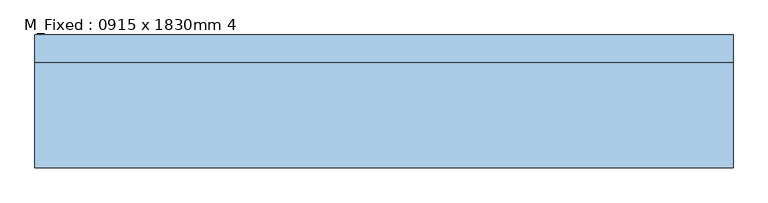
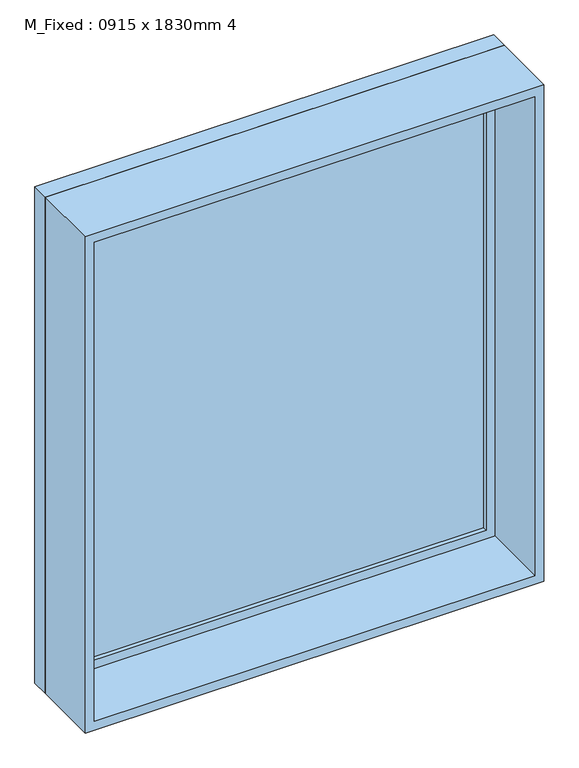
"""IFC4 building model written with IfcOpenShell, lengths in millimetres: window geometry, M_Fixed : 0915 x 1830mm 4."""

from ifc_helpers import new_model, si_unit, frame, origin, place, context, project, spatial, polyline, outline, extrude, source, transform, mapped, element, save


def m_fixed_0915_x_1830mm_4_bdfcb8f8(model_context):
    return source(origin(), model_context, "Body", "SweptSolid", [
        extrude(outline(polyline([(-737.0, 130.0), (737.0, 130.0), (737.0, 118.0), (-737.0, 118.0), (-737.0, 130.0)])), frame((0.0, 0.0, 368.0), z_axis=(0.0, 0.0, 1.0), x_axis=(1.0, 0.0, 0.0)), (0.0, 0.0, 1.0), 1704.0),
        extrude(outline(polyline([(2116.0, -781.0), (324.0, -781.0), (324.0, 781.0), (2116.0, 781.0), (2116.0, -781.0)]), holes=[polyline([(2072.0, -737.0), (2072.0, 737.0), (368.0, 737.0), (368.0, -737.0), (2072.0, -737.0)])]), frame((0.0, 102.0, 0.0), z_axis=(0.0, 1.0, 0.0), x_axis=(0.0, 0.0, 1.0)), (0.0, 0.0, 1.0), 44.0),
        extrude(outline(polyline([(2135.0, -800.0), (305.0, -800.0), (305.0, 800.0), (2135.0, 800.0), (2135.0, -800.0)]), holes=[polyline([(2116.0, -781.0), (2116.0, 781.0), (324.0, 781.0), (324.0, -781.0), (2116.0, -781.0)])]), frame((0.0, 102.0, 0.0), z_axis=(0.0, 1.0, 0.0), x_axis=(0.0, 0.0, 1.0)), (0.0, 0.0, 1.0), 63.0),
        extrude(outline(polyline([(2135.0, -800.0), (305.0, -800.0), (305.0, 800.0), (2135.0, 800.0), (2135.0, -800.0)]), holes=[polyline([(2103.0, -768.0), (2103.0, 768.0), (337.0, 768.0), (337.0, -768.0), (2103.0, -768.0)])]), frame((0.0, -139.0, 0.0), z_axis=(0.0, 1.0, 0.0), x_axis=(0.0, 0.0, 1.0)), (0.0, 0.0, 1.0), 241.0),
    ])


if __name__ == "__main__":
    model = new_model("IFC4")
    model_context = context("Model", 3, world=origin())
    ifc_project = project(units=[si_unit("LENGTHUNIT", "METRE", prefix="MILLI")], contexts=[model_context])
    site = spatial("IfcSite", under=ifc_project)
    building = spatial("IfcBuilding", under=site)
    placement = place(None, origin())
    m_fixed_0915_x_1830mm_4_shape = m_fixed_0915_x_1830mm_4_bdfcb8f8(model_context)
    element("IfcWindow", 1, ObjectType="M_Fixed : 0915 x 1830mm 4", at=placement, inside=building, context=model_context, shape_type="MappedRepresentation", body=[
        mapped(m_fixed_0915_x_1830mm_4_shape, transform((0.0, 0.0, 0.0), x_axis=(1.0, 0.0, 0.0), y_axis=(0.0, 1.0, 0.0), z_axis=(0.0, 0.0, 1.0))),
    ])
    save(model, "model.ifc")
